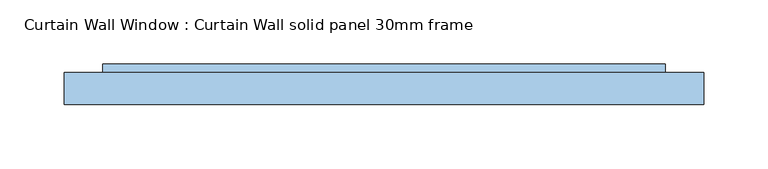
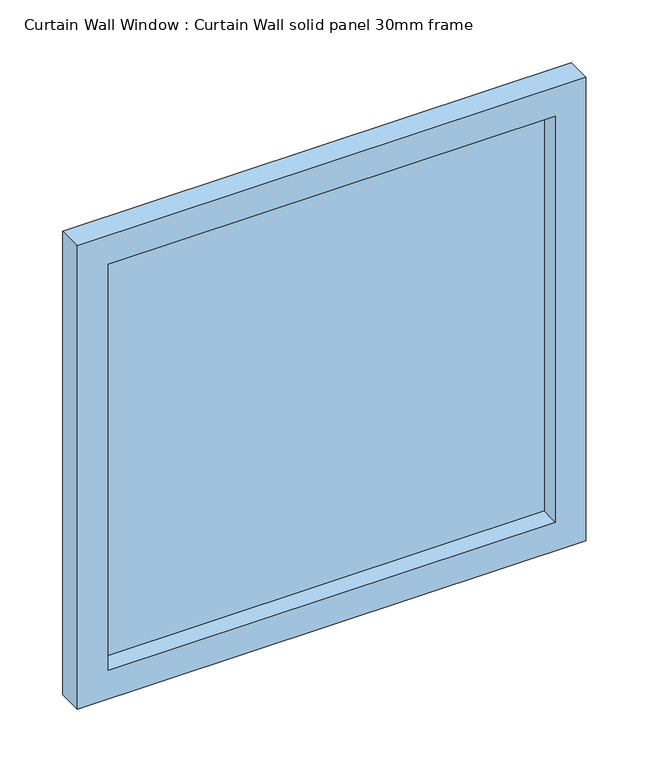
"""IFC4 building model written with IfcOpenShell, lengths in millimetres: window geometry, Curtain Wall Window : Curtain Wall solid panel 30mm frame."""

from ifc_helpers import new_model, si_unit, frame, origin, place, context, project, spatial, polyline, outline, extrude, source, transform, mapped, element, save


def curtain_wall_window_curtain_wall_solid_panel_30mm_frame_e79f8580(model_context):
    return source(origin(), model_context, "Body", "SweptSolid", [
        extrude(outline(polyline([(219.5000232, 19.05), (-219.5000232, 19.05), (-219.5000232, 31.75), (219.5000232, 31.75), (219.5000232, 19.05)])), frame((0.0, 0.0, 30.0), z_axis=(0.0, 0.0, 1.0), x_axis=(1.0, 0.0, 0.0)), (0.0, 0.0, 1.0), 420.9999903),
        extrude(outline(polyline([(480.9999903, -249.5000232), (0.0, -249.5000232), (0.0, 249.5000232), (480.9999903, 249.5000232), (480.9999903, -249.5000232)]), holes=[polyline([(450.9999903, -219.5000232), (450.9999903, 219.5000232), (30.0, 219.5000232), (30.0, -219.5000232), (450.9999903, -219.5000232)])]), frame((0.0, 0.0, 0.0), z_axis=(0.0, 1.0, 0.0), x_axis=(0.0, 0.0, 1.0)), (0.0, 0.0, 1.0), 25.0),
    ])


if __name__ == "__main__":
    model = new_model("IFC4")
    model_context = context("Model", 3, world=origin())
    ifc_project = project(units=[si_unit("LENGTHUNIT", "METRE", prefix="MILLI")], contexts=[model_context])
    site = spatial("IfcSite", under=ifc_project)
    building = spatial("IfcBuilding", under=site)
    placement = place(None, origin())
    curtain_wall_window_curtain_wall_solid_panel_30mm_frame_shape = curtain_wall_window_curtain_wall_solid_panel_30mm_frame_e79f8580(model_context)
    element("IfcWindow", 1, ObjectType="Curtain Wall Window : Curtain Wall solid panel 30mm frame", at=placement, inside=building, context=model_context, shape_type="MappedRepresentation", body=[
        mapped(curtain_wall_window_curtain_wall_solid_panel_30mm_frame_shape, transform((0.0, 0.0, 0.0), x_axis=(1.0, 0.0, 0.0), y_axis=(0.0, 1.0, 0.0), z_axis=(0.0, 0.0, 1.0))),
    ])
    save(model, "model.ifc")
